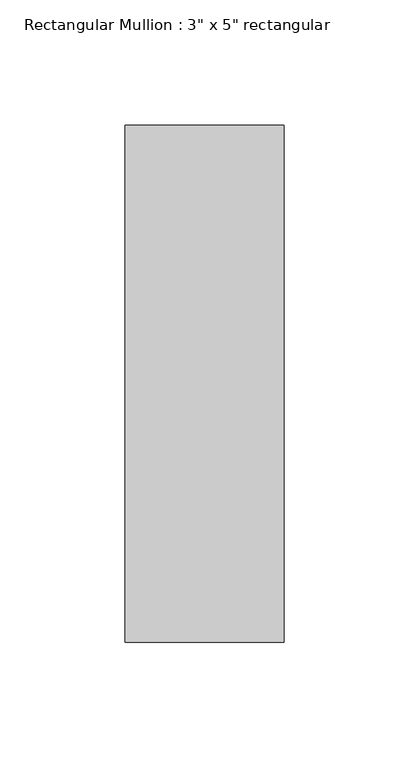
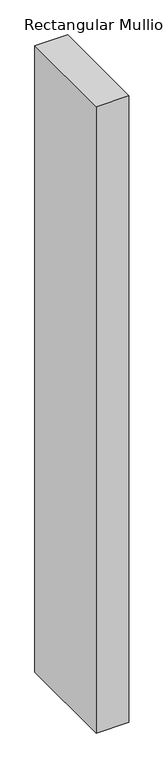
"""IFC4 building model written with IfcOpenShell, lengths in millimetres: member geometry."""

from ifc_helpers import new_model, si_unit, frame, origin, place, context, project, spatial, polyline, outline, extrude, source, transform, mapped, element, save


def member_e773e562(model_context):
    return source(origin(), model_context, "Body", "SweptSolid", [
        extrude(outline(polyline([(0.0, 90.551), (0.0, -115.951), (-63.5, -115.951), (-63.5, 90.551), (0.0, 90.551)])), frame((0.0, 0.0, -1286.4680248), z_axis=(0.0, 0.0, 1.0), x_axis=(1.0, 0.0, 0.0)), (0.0, 0.0, 1.0), 1286.4680248),
    ])


if __name__ == "__main__":
    model = new_model("IFC4")
    model_context = context("Model", 3, world=origin())
    ifc_project = project(units=[si_unit("LENGTHUNIT", "METRE", prefix="MILLI")], contexts=[model_context])
    site = spatial("IfcSite", under=ifc_project)
    building = spatial("IfcBuilding", under=site)
    placement = place(None, origin())
    member_shape = member_e773e562(model_context)
    element("IfcMember", 1, ObjectType="Rectangular Mullion : 3\" x 5\" rectangular", at=placement, inside=building, context=model_context, shape_type="MappedRepresentation", body=[
        mapped(member_shape, transform((0.0, 0.0, 0.0), x_axis=(1.0, 0.0, 0.0), y_axis=(0.0, 1.0, 0.0), z_axis=(0.0, 0.0, 1.0))),
    ])
    save(model, "model.ifc")
